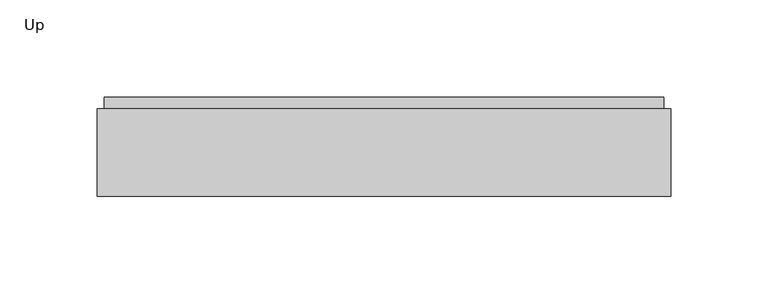
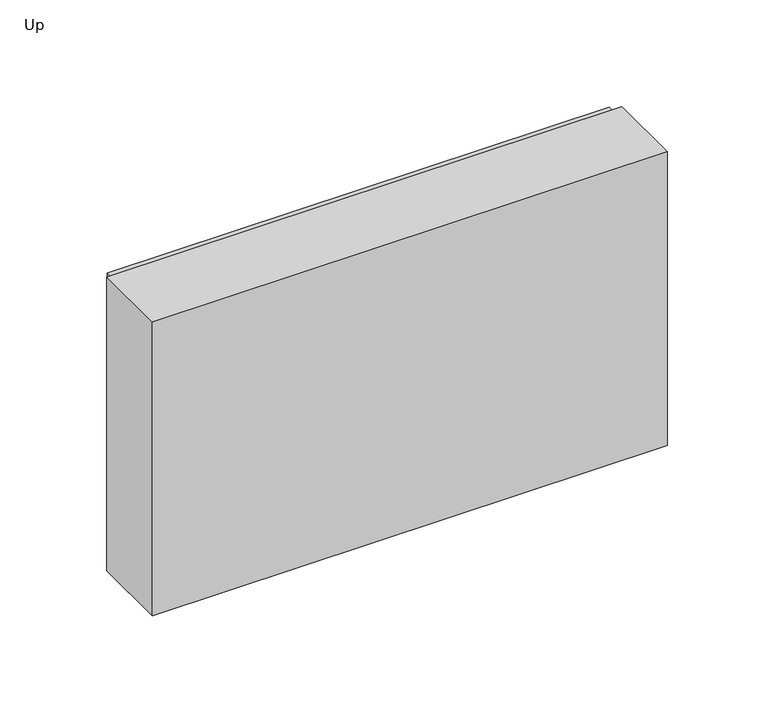
"""IFC4 building model written with IfcOpenShell, lengths in millimetres: light fixture geometry, Up."""

from ifc_helpers import new_model, si_unit, point, frame, frame_2d, origin, place, context, project, spatial, polyline, circle_curve, trimmed, segment, composite_curve, outline, extrude, source, transform, mapped, element, save


def up_447bef56(model_context):
    return source(origin(), model_context, "Body", "SweptSolid", [
        extrude(outline(polyline([(-22.5, 45.0), (272.5, 45.0), (272.5, 0.0), (-22.5, 0.0), (-22.5, 45.0)])), frame((0.0, 0.0, 1711.0), z_axis=(0.0, 0.0, 1.0), x_axis=(1.0, 0.0, 0.0)), (0.0, 0.0, 1.0), 178.0),
        extrude(outline(composite_curve([segment(trimmed(circle_curve(frame_2d((1842.5382951, 57.1455407)), 13.0), [point((1842.5382951, 44.1455407))], [point((1842.5382951, 70.1455407))], False, "CARTESIAN"), True, "CONTINUOUS"), segment(trimmed(circle_curve(frame_2d((1842.5382951, 57.1455407)), 13.0), [point((1842.5382951, 70.1455407))], [point((1842.5382951, 44.1455407))], False, "CARTESIAN"), True, "CONTINUOUS")], self_intersect=False)), frame((0.0, 45.0, 0.0), z_axis=(0.0, 1.0, 0.0), x_axis=(0.0, 0.0, 1.0)), (0.0, 0.0, 1.0), 6.0),
        extrude(outline(polyline([(1806.6023038, 72.9767204), (1818.8561822, 72.9767204), (1829.5382951, 57.1398368), (1829.5382951, 18.8298614), (1807.8611133, 5.2844549), (1801.8045984, 14.9769047), (1818.2655739, 24.8676567), (1818.2655739, 37.381842), (1791.1015179, 23.5410642), (1761.1015179, 23.5410642), (1761.1015179, 0.8920609), (1750.1015179, 0.8920609), (1750.1015179, 34.5410642), (1779.1356317, 34.5410642), (1734.6374808, 64.5554459), (1740.4579423, 74.2423206), (1786.0550088, 43.4867109), (1813.7415976, 60.7872117), (1813.141173, 61.3876363), (1795.6023038, 61.3876363), (1795.6023038, 87.3876363), (1806.6023038, 87.3876363), (1806.6023038, 72.9767204)])), frame((0.0, 45.0, 0.0), z_axis=(0.0, 1.0, 0.0), x_axis=(0.0, 0.0, 1.0)), (0.0, 0.0, 1.0), 6.0),
        extrude(outline(polyline([(1886.5, -18.8582677), (1713.5, -18.8582677), (1713.5, 268.8582677), (1886.5, 268.8582677), (1886.5, -18.8582677)]), holes=[polyline([(1851.381911, 205.9344351), (1812.6401671, 244.676179), (1784.022665, 244.676179), (1809.2412911, 218.5615272), (1737.03528, 218.5615272), (1737.03528, 193.3073429), (1809.2412911, 193.3073429), (1784.022665, 167.1926911), (1812.6401671, 167.1926911), (1851.381911, 205.9344351)]), polyline([(1860.6259983, 0.8920609), (1860.6259983, 87.3876363), (1728.6259983, 87.3876363), (1728.6259983, 0.8920609), (1860.6259983, 0.8920609)])]), frame((0.0, 45.0, 0.0), z_axis=(0.0, 1.0, 0.0), x_axis=(0.0, 0.0, 1.0)), (0.0, 0.0, 1.0), 6.0),
    ])


if __name__ == "__main__":
    model = new_model("IFC4")
    model_context = context("Model", 3, world=origin())
    ifc_project = project(units=[si_unit("LENGTHUNIT", "METRE", prefix="MILLI")], contexts=[model_context])
    site = spatial("IfcSite", under=ifc_project)
    building = spatial("IfcBuilding", under=site)
    placement = place(None, origin())
    up_shape = up_447bef56(model_context)
    element("IfcLightFixture", 1, ObjectType="Up", at=placement, inside=building, context=model_context, shape_type="MappedRepresentation", body=[
        mapped(up_shape, transform((0.0, 0.0, 0.0), x_axis=(1.0, 0.0, 0.0), y_axis=(0.0, 1.0, 0.0), z_axis=(0.0, 0.0, 1.0))),
    ])
    save(model, "model.ifc")
